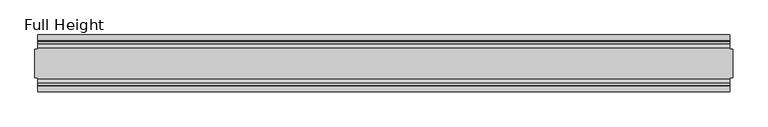
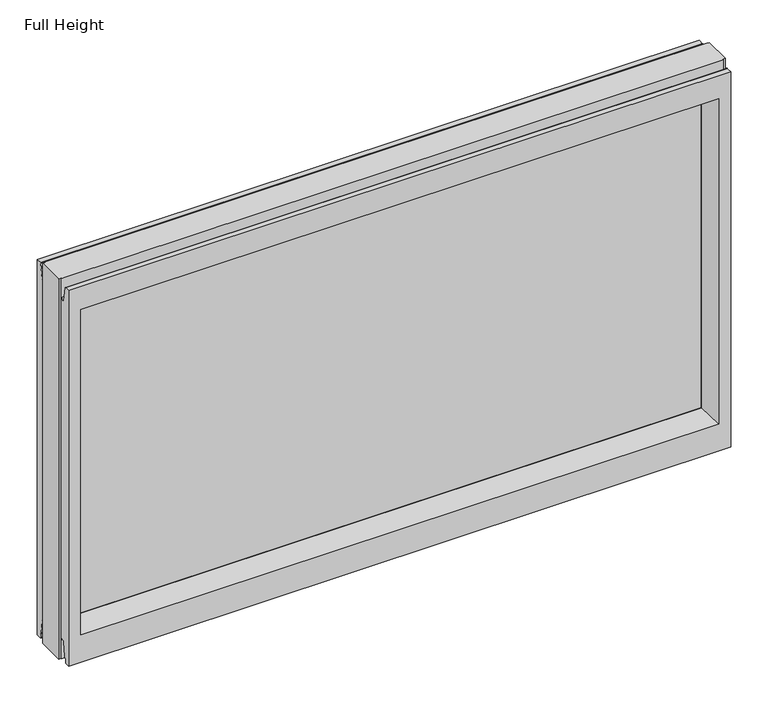
"""IFC4 building model written with IfcOpenShell, lengths in millimetres: plate geometry, Full Height."""

import ifcopenshell
import ifcopenshell.guid

model = None  # the IFC model being written
_history = None  # IfcOwnerHistory: only IFC2X3 demands one
_inside = {}  # id of a spatial element -> (the spatial element, [elements in it])
_under = {}  # id of a project, library or spatial element -> (it, [spatial elements below it])
_declared = {}  # id of a project -> (the project, [libraries it declares])
_typed = {}  # id of a type object -> (the type object, [elements of that type])
_made_of = {}  # id of a material, layer set ... -> (it, [elements and type objects made of it])


def new_model(schema):
    """Start an empty IFC model of exactly this schema.

    Asked for "IFC4X3", IfcOpenShell would pick the latest addendum, in which some entities
    have other attributes; the version numbers below select the first issue.
    IFC2X3 requires an IfcOwnerHistory on every rooted entity: one is made here for all.
    """
    global model, _history
    if schema == "IFC4X3":
        model = ifcopenshell.file(schema_version=(4, 3, 0, 0))
    else:
        model = ifcopenshell.file(schema=schema)
    _inside.clear()
    _under.clear()
    _declared.clear()
    _typed.clear()
    _made_of.clear()
    _history = None
    if model.schema == "IFC2X3":
        org = make("IfcOrganization", Name="unknown")
        user = make(
            "IfcPersonAndOrganization",
            ThePerson=make("IfcPerson", FamilyName="unknown"),
            TheOrganization=org,
        )
        app = make(
            "IfcApplication",
            ApplicationDeveloper=org,
            Version="unknown",
            ApplicationFullName="unknown",
            ApplicationIdentifier="unknown",
        )
        _history = make(
            "IfcOwnerHistory",
            OwningUser=user,
            OwningApplication=app,
            ChangeAction="ADDED",
            CreationDate=0,
        )
    return model


def make(cls, **values):
    """One entity of the class cls with the attributes given. An attribute that is None is left unset."""
    return model.create_entity(
        cls, **{name: value for name, value in values.items() if value is not None}
    )


def rooted(cls, **values):
    """An entity with a GlobalId (a new one), such as an element, a storey or a relation."""
    return make(cls, GlobalId=ifcopenshell.guid.new(), OwnerHistory=_history, **values)


def si_unit(unit_type, name, prefix=None):
    """IfcSIUnit, for example si_unit("LENGTHUNIT", "METRE", prefix="MILLI")."""
    return make("IfcSIUnit", UnitType=unit_type, Prefix=prefix, Name=name)


def assignment(units):
    """IfcUnitAssignment: the units of a project."""
    return None if units is None else make("IfcUnitAssignment", Units=units)


def point(xyz):
    """IfcCartesianPoint."""
    return None if xyz is None else make("IfcCartesianPoint", Coordinates=xyz)


def direction(xyz):
    """IfcDirection."""
    return None if xyz is None else make("IfcDirection", DirectionRatios=xyz)


def frame(location, z_axis=None, x_axis=None):
    """IfcAxis2Placement3D, a coordinate frame: its origin and axes. An axis left out is left unset."""
    return make(
        "IfcAxis2Placement3D",
        Location=point(location),
        Axis=direction(z_axis),
        RefDirection=direction(x_axis),
    )


def origin():
    """The frame at (0, 0, 0) with its axes left unset."""
    return frame((0.0, 0.0, 0.0))


def place(relative_to, where):
    """IfcLocalPlacement: puts the frame where relative to a parent placement (None: the world)."""
    return make(
        "IfcLocalPlacement", PlacementRelTo=relative_to, RelativePlacement=where
    )


def context(
    kind, dimensions, precision=None, world=None, true_north=None, identifier=None
):
    """IfcGeometricRepresentationContext, for example the 3D "Model" context."""
    return make(
        "IfcGeometricRepresentationContext",
        ContextIdentifier=identifier,
        ContextType=kind,
        CoordinateSpaceDimension=dimensions,
        Precision=precision,
        WorldCoordinateSystem=world,
        TrueNorth=true_north,
    )


def project(units=None, contexts=None):
    """IfcProject with its units and contexts."""
    return rooted(
        "IfcProject",
        Name="project",
        RepresentationContexts=contexts,
        UnitsInContext=assignment(units),
    )


def spatial(cls, under=None, at=None, **own):
    """A site, building, storey or space (cls), placed at a placement, below another one or the project."""
    s = rooted(cls, ObjectPlacement=at, **own)
    if under is not None:
        _under.setdefault(under.id(), (under, []))[1].append(s)
    return s


def polyline(points):
    """IfcPolyline through the points."""
    return make("IfcPolyline", Points=[point(p) for p in points])


def circle_curve(where, radius):
    """IfcCircle in the frame where."""
    return make("IfcCircle", Position=where, Radius=radius)


def outline(outer, holes=None, kind="AREA"):
    """IfcArbitraryClosedProfileDef: a profile drawn as a closed curve; with holes, ...WithVoids."""
    if holes is None:
        return make("IfcArbitraryClosedProfileDef", ProfileType=kind, OuterCurve=outer)
    return make(
        "IfcArbitraryProfileDefWithVoids",
        ProfileType=kind,
        OuterCurve=outer,
        InnerCurves=holes,
    )


def extrude(swept, where, along, depth):
    """IfcExtrudedAreaSolid: the profile swept, set in the frame where, extruded along a direction by depth."""
    return make(
        "IfcExtrudedAreaSolid",
        SweptArea=swept,
        Position=where,
        ExtrudedDirection=direction(along),
        Depth=depth,
    )


def shape(context_of_items, identifier, shape_type, items):
    """IfcShapeRepresentation: the items that make up one representation, for example the "Body"."""
    return make(
        "IfcShapeRepresentation",
        ContextOfItems=context_of_items,
        RepresentationIdentifier=identifier,
        RepresentationType=shape_type,
        Items=items,
    )


def source(mapping_origin, context_of_items, identifier, shape_type, items):
    """IfcRepresentationMap: a shape defined once, which mapped items show again and again."""
    return make(
        "IfcRepresentationMap",
        MappingOrigin=mapping_origin,
        MappedRepresentation=shape(context_of_items, identifier, shape_type, items),
    )


def transform(
    local_origin,
    x_axis=None,
    y_axis=None,
    z_axis=None,
    scale=None,
    scale2=None,
    scale3=None,
    uniform=True,
):
    """IfcCartesianTransformationOperator3D, or its non-uniform kind. x_axis, y_axis, z_axis: its Axis1, 2, 3."""
    if uniform:
        return make(
            "IfcCartesianTransformationOperator3D",
            Axis1=direction(x_axis),
            Axis2=direction(y_axis),
            LocalOrigin=point(local_origin),
            Scale=scale,
            Axis3=direction(z_axis),
        )
    return make(
        "IfcCartesianTransformationOperator3DnonUniform",
        Axis1=direction(x_axis),
        Axis2=direction(y_axis),
        LocalOrigin=point(local_origin),
        Scale=scale,
        Axis3=direction(z_axis),
        Scale2=scale2,
        Scale3=scale3,
    )


def mapped(mapping_source, mapping_target):
    """IfcMappedItem: shows the shape of a source again, moved by a transform."""
    return make(
        "IfcMappedItem", MappingSource=mapping_source, MappingTarget=mapping_target
    )


def made_of(thing, what):
    """Note that an element or type object is made of a material, layer set ...; save() writes the relation."""
    if what is not None:
        _made_of.setdefault(what.id(), (what, []))[1].append(thing)
    return thing


def element(
    cls,
    number,
    at=None,
    inside=None,
    cuts=None,
    type_object=None,
    material=None,
    context=None,
    identifier="Body",
    shape_type=None,
    held_by="IfcProductDefinitionShape",
    body=None,
    shapes=None,
    **own,
):
    """One element of the class cls, such as IfcWall. Its Tag is "e" and its number.

    at: its placement. inside: the storey or other place that contains it. cuts: it is an
    opening in that element (IfcRelVoidsElement). A single representation is given by context,
    identifier, shape_type and body (its items); several are given by shapes. held_by: the class
    of the entity that holds the representations. save() writes the other relations.
    """
    e = rooted(cls, Tag="e%d" % number, ObjectPlacement=at, **own)
    if body is not None:
        shapes = [shape(context, identifier, shape_type, body)]
    if shapes is not None:
        e.Representation = make(held_by, Representations=shapes)
    if inside is not None:
        _inside.setdefault(inside.id(), (inside, []))[1].append(e)
    if cuts is not None:
        rooted(
            "IfcRelVoidsElement", RelatingBuildingElement=cuts, RelatedOpeningElement=e
        )
    if type_object is not None:
        _typed.setdefault(type_object.id(), (type_object, []))[1].append(e)
    return made_of(e, material)


def aggregate(whole, parts):
    """IfcRelAggregates: a whole, such as a stair, and the parts it consists of."""
    return rooted("IfcRelAggregates", RelatingObject=whole, RelatedObjects=parts)


def save(model, path):
    """Write the relations noted so far, then the file.

    IfcRelAggregates (storeys below a building ...), IfcRelContainedInSpatialStructure (elements
    in a storey), IfcRelDefinesByType, IfcRelAssociatesMaterial and IfcRelDeclares: one each for
    every whole, place, type object, material and project.
    """
    for whole, parts in _under.values():
        aggregate(whole, parts)
    for where, things in _inside.values():
        rooted(
            "IfcRelContainedInSpatialStructure",
            RelatedElements=things,
            RelatingStructure=where,
        )
    for kind, things in _typed.values():
        rooted("IfcRelDefinesByType", RelatedObjects=things, RelatingType=kind)
    for what, things in _made_of.values():
        rooted("IfcRelAssociatesMaterial", RelatedObjects=things, RelatingMaterial=what)
    for by, libraries in _declared.values():
        rooted("IfcRelDeclares", RelatingContext=by, RelatedDefinitions=libraries)
    model.write(path)


def plane_surface(at):
    """IfcPlane: the flat surface through the origin of the frame at, square to its z axis."""
    return make("IfcPlane", Position=at)


def cylinder_surface(at, radius):
    """IfcCylindricalSurface: all points at the distance radius from the z axis of the frame at."""
    return make("IfcCylindricalSurface", Position=at, Radius=radius)


def revolved_surface(curve, axis_point, axis_direction):
    """IfcSurfaceOfRevolution: the curve turned about the line through axis_point along axis_direction."""
    return make(
        "IfcSurfaceOfRevolution",
        SweptCurve=make("IfcArbitraryOpenProfileDef", ProfileType="CURVE", Curve=curve),
        AxisPosition=make("IfcAxis1Placement", Location=point(axis_point), Axis=direction(axis_direction)),
    )


def advanced_brep(points, edges, surfaces, faces):
    """IfcAdvancedBrep: a solid bounded by faces that lie on surfaces and meet in shared edges.

    An edge is (start, end): straight between two places in points (the first is 0);
    or (start, end, curve); or (start, end, curve, False) where it runs against its curve.
    A face is (place in surfaces, loops), or (place, loops, False) where it looks against
    its surface's normal. A loop lists edges by number (the first is 1), with a minus sign
    where the edge is run from its end to its start. The first loop is the outer one.
    """
    corners = [point(p) for p in points]
    vertices = [make("IfcVertexPoint", VertexGeometry=c) for c in corners]
    made = []
    for start, end, *more in edges:
        made.append(
            make(
                "IfcEdgeCurve",
                EdgeStart=vertices[start],
                EdgeEnd=vertices[end],
                EdgeGeometry=more[0] if more else make("IfcPolyline", Points=[corners[start], corners[end]]),
                SameSense=more[1] if len(more) > 1 else True,
            )
        )
    hull = []
    for where, loops, *sense in faces:
        bounds = []
        for j, loop in enumerate(loops):
            ring = [make("IfcOrientedEdge", EdgeElement=made[abs(k) - 1], Orientation=k > 0) for k in loop]
            bounds.append(
                make(
                    "IfcFaceOuterBound" if j == 0 else "IfcFaceBound",
                    Bound=make("IfcEdgeLoop", EdgeList=ring),
                    Orientation=True,
                )
            )
        hull.append(make("IfcAdvancedFace", Bounds=bounds, FaceSurface=surfaces[where], SameSense=sense[0] if sense else True))
    return make("IfcAdvancedBrep", Outer=make("IfcClosedShell", CfsFaces=hull))


def full_height_e3f9f76d(model_context):
    return source(origin(), model_context, "Body", "SolidModel", [
        advanced_brep(
        [(612.7083377, 25.146, 739.14), (608.1363377, 25.146, 739.14), (608.1363377, 26.67, 739.14), (-608.1363377, 26.67, 739.14), (-608.1363377, 25.146, 739.14), (-612.7083377, 25.146, 739.14), (-612.7083377, -25.146, 739.14), (-608.1363377, -25.146, 739.14), (-608.1363377, -26.67, 739.14), (608.1363377, -26.67, 739.14), (608.1363377, -25.146, 739.14), (612.7083377, -25.146, 739.14), (612.7083377, 25.146, 0.0), (612.7083377, -25.146, 0.0), (608.1363377, -25.146, 0.0), (608.1363377, -26.67, 0.0), (-608.1363377, -26.67, 0.0), (-608.1363377, -25.146, 0.0), (-612.7083377, -25.146, 0.0), (-612.7083377, 25.146, 0.0), (-608.1363377, 25.146, 0.0), (-608.1363377, 26.67, 0.0), (608.1363377, 26.67, 0.0), (608.1363377, 25.146, 0.0), (-608.1363377, 40.7946686, 0.0), (-608.1363377, 50.0, 0.0), (608.1363377, 50.0, 0.0), (608.1363377, 40.7946686, 0.0), (-608.1363377, 26.67, 36.4542208), (608.1363377, 26.67, 36.4542208), (-608.1363377, -26.67, 36.4542208), (-608.1363377, -34.2686707, 36.8568054), (-608.1363377, -36.9464913, 11.6561909), (-608.1363377, -39.043018, 8.6755976), (-608.1363377, -39.5246686, 7.9074686), (-608.1363377, -39.5246686, 1.27), (-608.1363377, -40.7946686, 0.0), (-608.1363377, -50.0, 0.0), (-608.1363377, -50.0, 729.996), (-608.1363377, -39.9371387, 729.996), (-608.1363377, -39.1867152, 729.3663199), (-608.1363377, -34.2321175, 701.2674004), (-608.1363377, -26.67, 701.929), (-608.1363377, 39.5246686, 1.27), (-608.1363377, 39.5246686, 7.9074686), (-608.1363377, 39.043018, 8.6755976), (-608.1363377, 36.9464913, 11.6561909), (-608.1363377, 34.2686707, 36.8568054), (-608.1363377, 26.67, 701.929), (-608.1363377, 34.2321175, 701.2674004), (-608.1363377, 39.1867152, 729.3663199), (-608.1363377, 39.9371387, 729.996), (-608.1363377, 50.0, 729.996), (608.1363377, -50.0, 0.0), (608.1363377, -50.0, 729.996), (-586.0383377, -50.0, 685.419), (586.0383377, -50.0, 685.419), (586.0383377, -50.0, 52.8372208), (-586.0383377, -50.0, 52.8372208), (608.1363377, 50.0, 729.996), (-586.0383377, 50.0, 52.8372208), (586.0383377, 50.0, 52.8372208), (586.0383377, 50.0, 685.419), (-586.0383377, 50.0, 685.419), (-580.0693377, -6.1006519, 58.8062208), (-580.0693377, -6.1006519, 679.45), (-580.0693377, 6.1006519, 679.45), (-580.0693377, 6.1006519, 58.8062208), (580.0693377, 6.1006519, 58.8062208), (580.0693377, 6.1006519, 679.45), (580.0693377, -6.1006519, 679.45), (580.0693377, -6.1006519, 58.8062208), (608.1363377, -40.7946686, 0.0), (608.1363377, -39.5246686, 1.27), (608.1363377, -39.5246686, 7.9074686), (608.1363377, -39.043018, 8.6755976), (608.1363377, -36.9464913, 11.6561909), (608.1363377, -34.2686707, 36.8568054), (608.1363377, -26.67, 36.4542208), (608.1363377, -26.67, 701.929), (608.1363377, -34.2321175, 701.2674004), (608.1363377, -39.1867152, 729.3663199), (608.1363377, -39.9371387, 729.996), (608.1363377, 39.9371387, 729.996), (608.1363377, 39.1867152, 729.3663199), (608.1363377, 34.2321175, 701.2674004), (608.1363377, 26.67, 701.929), (608.1363377, 34.2686707, 36.8568054), (608.1363377, 36.9464913, 11.6561909), (608.1363377, 39.043018, 8.6755976), (608.1363377, 39.5246686, 7.9074686), (608.1363377, 39.5246686, 1.27)],
        [
            (0, 1),
            (1, 2),
            (2, 3),
            (3, 4),
            (4, 5),
            (5, 6),
            (6, 7),
            (7, 8),
            (8, 9),
            (9, 10),
            (10, 11),
            (11, 0),
            (12, 13),
            (13, 14),
            (14, 15),
            (15, 16),
            (16, 17),
            (17, 18),
            (18, 19),
            (19, 20),
            (20, 21),
            (21, 22),
            (22, 23),
            (23, 12),
            (23, 1),
            (0, 12),
            (10, 14),
            (13, 11),
            (5, 19),
            (18, 6),
            (17, 7),
            (4, 20),
            (24, 25),
            (25, 26),
            (26, 27),
            (27, 24),
            (21, 28),
            (28, 29),
            (29, 22),
            (16, 30),
            (30, 31, circle_curve(frame((-608.1363377, -30.48, 36.4542208), z_axis=(1.0, 0.0, 0.0), x_axis=(0.0, -1.0, 0.0)), 3.81)),
            (31, 32),
            (32, 33, circle_curve(frame((-608.1363377, -40.6770502, 12.0526006), z_axis=(-1.0, 0.0, 0.0), x_axis=(0.0, -1.0, 0.0)), 3.751561)),
            (33, 34, circle_curve(frame((-608.1363377, -38.671343, 7.9074686), z_axis=(1.0, 0.0, 0.0), x_axis=(0.0, -1.0, 0.0)), 0.8533256)),
            (34, 35),
            (35, 36, circle_curve(frame((-608.1363377, -40.7946686, 1.27), z_axis=(-1.0, 0.0, 0.0), x_axis=(0.0, -1.0, 0.0)), 1.27)),
            (36, 37),
            (37, 38),
            (38, 39),
            (39, 40, circle_curve(frame((-608.1363377, -39.9371387, 729.234), z_axis=(-1.0, 0.0, 0.0), x_axis=(0.0, -1.0, 0.0)), 0.762)),
            (40, 41),
            (41, 42, circle_curve(frame((-608.1363377, -30.48, 701.929), z_axis=(1.0, 0.0, 0.0), x_axis=(0.0, -1.0, 0.0)), 3.81)),
            (42, 8),
            (24, 43, circle_curve(frame((-608.1363377, 40.7946686, 1.27), z_axis=(-1.0, 0.0, 0.0), x_axis=(0.0, -1.0, 0.0)), 1.27)),
            (43, 44),
            (44, 45, circle_curve(frame((-608.1363377, 38.671343, 7.9074686), z_axis=(1.0, 0.0, 0.0), x_axis=(0.0, -1.0, 0.0)), 0.8533256)),
            (45, 46, circle_curve(frame((-608.1363377, 40.6770502, 12.0526006), z_axis=(-1.0, 0.0, 0.0), x_axis=(0.0, -1.0, 0.0)), 3.751561)),
            (46, 47),
            (47, 28, circle_curve(frame((-608.1363377, 30.48, 36.4542208), z_axis=(1.0, 0.0, 0.0), x_axis=(0.0, -1.0, 0.0)), 3.81)),
            (3, 48),
            (48, 49, circle_curve(frame((-608.1363377, 30.48, 701.929), z_axis=(1.0, 0.0, 0.0), x_axis=(0.0, -1.0, 0.0)), 3.81)),
            (49, 50),
            (50, 51, circle_curve(frame((-608.1363377, 39.9371387, 729.234), z_axis=(-1.0, 0.0, 0.0), x_axis=(0.0, -1.0, 0.0)), 0.762)),
            (51, 52),
            (52, 25),
            (37, 53),
            (53, 54),
            (54, 38),
            (55, 56),
            (56, 57),
            (57, 58),
            (58, 55),
            (52, 59),
            (59, 26),
            (60, 61),
            (61, 62),
            (62, 63),
            (63, 60),
            (58, 64),
            (64, 65),
            (65, 55),
            (63, 66),
            (66, 67),
            (67, 60),
            (61, 68),
            (68, 69),
            (69, 62),
            (70, 71),
            (71, 57),
            (56, 70),
            (53, 72),
            (72, 73, circle_curve(frame((608.1363377, -40.7946686, 1.27), z_axis=(1.0, 0.0, 0.0), x_axis=(0.0, -1.0, 0.0)), 1.27)),
            (73, 74),
            (74, 75, circle_curve(frame((608.1363377, -38.671343, 7.9074686), z_axis=(-1.0, 0.0, 0.0), x_axis=(0.0, -1.0, 0.0)), 0.8533256)),
            (75, 76, circle_curve(frame((608.1363377, -40.6770502, 12.0526006), z_axis=(1.0, 0.0, 0.0), x_axis=(0.0, -1.0, 0.0)), 3.751561)),
            (76, 77),
            (77, 78, circle_curve(frame((608.1363377, -30.48, 36.4542208), z_axis=(-1.0, 0.0, 0.0), x_axis=(0.0, -1.0, 0.0)), 3.81)),
            (78, 15),
            (9, 79),
            (79, 80, circle_curve(frame((608.1363377, -30.48, 701.929), z_axis=(-1.0, 0.0, 0.0), x_axis=(0.0, -1.0, 0.0)), 3.81)),
            (80, 81),
            (81, 82, circle_curve(frame((608.1363377, -39.9371387, 729.234), z_axis=(1.0, 0.0, 0.0), x_axis=(0.0, -1.0, 0.0)), 0.762)),
            (82, 54),
            (59, 83),
            (83, 84, circle_curve(frame((608.1363377, 39.9371387, 729.234), z_axis=(1.0, 0.0, 0.0), x_axis=(0.0, -1.0, 0.0)), 0.762)),
            (84, 85),
            (85, 86, circle_curve(frame((608.1363377, 30.48, 701.929), z_axis=(-1.0, 0.0, 0.0), x_axis=(0.0, -1.0, 0.0)), 3.81)),
            (86, 2),
            (29, 87, circle_curve(frame((608.1363377, 30.48, 36.4542208), z_axis=(-1.0, 0.0, 0.0), x_axis=(0.0, -1.0, 0.0)), 3.81)),
            (87, 88),
            (88, 89, circle_curve(frame((608.1363377, 40.6770502, 12.0526006), z_axis=(1.0, 0.0, 0.0), x_axis=(0.0, -1.0, 0.0)), 3.751561)),
            (89, 90, circle_curve(frame((608.1363377, 38.671343, 7.9074686), z_axis=(-1.0, 0.0, 0.0), x_axis=(0.0, -1.0, 0.0)), 0.8533256)),
            (90, 91),
            (91, 27, circle_curve(frame((608.1363377, 40.7946686, 1.27), z_axis=(1.0, 0.0, 0.0), x_axis=(0.0, -1.0, 0.0)), 1.27)),
            (91, 43),
            (90, 44),
            (89, 45),
            (88, 46),
            (87, 47),
            (78, 30),
            (31, 77),
            (76, 32),
            (75, 33),
            (74, 34),
            (73, 35),
            (72, 36),
            (71, 64),
            (67, 68),
            (86, 48),
            (85, 49),
            (84, 50),
            (83, 51),
            (69, 66),
            (65, 70),
            (82, 39),
            (81, 40),
            (80, 41),
            (79, 42),
            (65, 66),
            (69, 70),
            (71, 68),
            (67, 64),
        ],
        [
            plane_surface(frame((608.1363377, 25.146, 739.14), z_axis=(0.0, 0.0, 1.0), x_axis=(-1.0, 0.0, 0.0))),
            plane_surface(frame((608.1363377, 25.146, 0.0), z_axis=(0.0, 0.0, -1.0), x_axis=(1.0, 0.0, 0.0))),
            plane_surface(frame((612.7083377, 25.146, 739.14), z_axis=(0.0, 1.0, 0.0), x_axis=(0.0, 0.0, -1.0))),
            plane_surface(frame((608.1363377, -25.146, 739.14), z_axis=(0.0, -1.0, 0.0), x_axis=(0.0, 0.0, -1.0))),
            plane_surface(frame((612.7083377, -25.146, 739.14), z_axis=(1.0, 0.0, 0.0), x_axis=(0.0, 0.0, -1.0))),
            plane_surface(frame((-612.7083377, 25.146, 739.14), z_axis=(-1.0, 0.0, 0.0), x_axis=(0.0, 0.0, -1.0))),
            plane_surface(frame((-612.7083377, -25.146, 739.14), z_axis=(0.0, -1.0, 0.0), x_axis=(0.0, 0.0, -1.0))),
            plane_surface(frame((-608.1363377, 25.146, 739.14), z_axis=(0.0, 1.0, 0.0), x_axis=(0.0, 0.0, -1.0))),
            plane_surface(frame((-608.1363377, 50.0, 0.0), z_axis=(0.0, 0.0, -1.0), x_axis=(1.0, 0.0, 0.0))),
            plane_surface(frame((-608.1363377, 26.67, 36.4542208), z_axis=(0.0, 1.0, 0.0), x_axis=(1.0, 0.0, 0.0))),
            plane_surface(frame((-608.1363377, 50.0, 697.2046), z_axis=(-1.0, 0.0, 0.0), x_axis=(0.0, 0.0, -1.0))),
            plane_surface(frame((-608.1363377, -50.0, 697.2046), z_axis=(0.0, -1.0, 0.0), x_axis=(0.0, 0.0, -1.0))),
            plane_surface(frame((-586.0383377, 50.0, 697.2046), z_axis=(0.0, 1.0, 0.0), x_axis=(0.0, 0.0, -1.0))),
            plane_surface(frame((-586.0383377, -50.0, 697.2046), z_axis=(0.9908822943533606, -0.13473039277393942, 0.0), x_axis=(0.0, 0.0, -1.0))),
            plane_surface(frame((-580.0693377, 6.1006519, 697.2046), z_axis=(0.9908822943533612, 0.13473039277393595, 0.0), x_axis=(0.0, 0.0, -1.0))),
            plane_surface(frame((586.0383377, 50.0, 697.2046), z_axis=(-0.9908822943533605, 0.1347303927739403, 0.0), x_axis=(0.0, 0.0, -1.0))),
            plane_surface(frame((580.0693377, -6.1006519, 697.2046), z_axis=(-0.9908822943533563, -0.13473039277397156, 0.0), x_axis=(0.0, 0.0, -1.0))),
            plane_surface(frame((608.1363377, -50.0, 697.2046), z_axis=(1.0, 0.0, 0.0), x_axis=(0.0, 0.0, -1.0))),
            cylinder_surface(frame((608.1363377, 40.7946686, 1.27), z_axis=(-1.0, 0.0, 0.0), x_axis=(0.0, -1.0, 0.0)), 1.27),
            plane_surface(frame((-608.1363377, 39.5246686, 1.27), z_axis=(0.0, -1.0, 0.0), x_axis=(1.0, 0.0, 0.0))),
            revolved_surface(polyline([(608.1363377, 37.8180174, 7.9074686), (-608.1363377, 37.8180174, 7.9074686)]), (608.1363377, 38.671343, 7.9074686), (1.0, 0.0, 0.0)),
            cylinder_surface(frame((608.1363377, 40.6770502, 12.0526006), z_axis=(-1.0, 0.0, 0.0), x_axis=(0.0, -1.0, 0.0)), 3.751561),
            plane_surface(frame((-608.1363377, 36.9464913, 11.6561909), z_axis=(0.0, -0.9944017560866673, -0.10566526151840273), x_axis=(1.0, 0.0, 0.0))),
            plane_surface(frame((-608.1363377, -26.67, 0.0), z_axis=(0.0, -1.0, 0.0), x_axis=(1.0, 0.0, 0.0))),
            plane_surface(frame((-608.1363377, -34.2686707, 36.8568054), z_axis=(0.0, 0.9944017560866222, -0.10566526151882638), x_axis=(1.0, 0.0, 0.0))),
            cylinder_surface(frame((608.1363377, -40.6770502, 12.0526006), z_axis=(-1.0, 0.0, 0.0), x_axis=(0.0, -1.0, 0.0)), 3.751561),
            revolved_surface(polyline([(608.1363377, -39.5246686, 7.9074686), (-608.1363377, -39.5246686, 7.9074686)]), (608.1363377, -38.671343, 7.9074686), (1.0, 0.0, 0.0)),
            plane_surface(frame((-608.1363377, -39.5246686, 7.9074686), z_axis=(0.0, 1.0, 0.0), x_axis=(1.0, 0.0, 0.0))),
            cylinder_surface(frame((608.1363377, -40.7946686, 1.27), z_axis=(-1.0, 0.0, 0.0), x_axis=(0.0, -1.0, 0.0)), 1.27),
            plane_surface(frame((-608.1363377, -40.7946686, 0.0), z_axis=(0.0, 0.0, -1.0), x_axis=(1.0, 0.0, 0.0))),
            plane_surface(frame((-608.1363377, -50.0, 52.8372208), z_axis=(0.0, -0.13473039277394738, 0.9908822943533596), x_axis=(1.0, 0.0, 0.0))),
            plane_surface(frame((-608.1363377, 6.1006519, 58.8062208), z_axis=(0.0, 0.13473039277399934, 0.9908822943533526), x_axis=(1.0, 0.0, 0.0))),
            revolved_surface(polyline([(608.1363377, 26.67, 36.4542208), (-608.1363377, 26.67, 36.4542208)]), (608.1363377, 30.48, 36.4542208), (1.0, 0.0, 0.0)),
            revolved_surface(polyline([(608.1363377, -34.29, 36.4542208), (-608.1363377, -34.29, 36.4542208)]), (608.1363377, -30.48, 36.4542208), (1.0, 0.0, 0.0)),
            plane_surface(frame((-608.1363377, 26.67, 739.14), z_axis=(0.0, 1.0, 0.0), x_axis=(1.0, 0.0, 0.0))),
            revolved_surface(polyline([(608.1363377000001, 26.67, 701.929), (-608.1363377, 26.67, 701.929)]), (-612.7083377, 30.48, 701.929), (1.0, 0.0, 0.0)),
            plane_surface(frame((-608.1363377, 34.2321175, 701.2674004), z_axis=(0.0, -0.9848077530113104, 0.17364817767202162), x_axis=(1.0, 0.0, 0.0))),
            cylinder_surface(frame((-612.7083377, 39.9371387, 729.234), z_axis=(-1.0, 0.0, 0.0), x_axis=(0.0, -1.0, 0.0)), 0.762),
            plane_surface(frame((-608.1363377, 39.9371387, 729.996), z_axis=(0.0, 0.0, 1.0), x_axis=(1.0, 0.0, 0.0))),
            plane_surface(frame((-608.1363377, 50.0, 685.419), z_axis=(0.0, 0.1347303927734858, -0.9908822943534225), x_axis=(1.0, 0.0, 0.0))),
            plane_surface(frame((-608.1363377, -6.1006519, 679.45), z_axis=(0.0, -0.13473039277251259, -0.9908822943535547), x_axis=(1.0, 0.0, 0.0))),
            plane_surface(frame((-608.1363377, -50.0, 729.996), z_axis=(0.0, 0.0, 1.0), x_axis=(1.0, 0.0, 0.0))),
            cylinder_surface(frame((-612.7083377, -39.9371387, 729.234), z_axis=(-1.0, 0.0, 0.0), x_axis=(0.0, -1.0, 0.0)), 0.762),
            plane_surface(frame((-608.1363377, -39.1867152, 729.3663199), z_axis=(0.0, 0.9848077530103843, 0.17364817767727386), x_axis=(1.0, 0.0, 0.0))),
            revolved_surface(polyline([(608.1363377000001, -34.29, 701.929), (-608.1363377, -34.29, 701.929)]), (-612.7083377, -30.48, 701.929), (1.0, 0.0, 0.0)),
            plane_surface(frame((-608.1363377, -26.67, 701.929), z_axis=(0.0, -1.0, 0.0), x_axis=(1.0, 0.0, 0.0))),
            plane_surface(frame((-608.1363377, 6.1006519, 679.45), z_axis=(0.0, 0.0, -1.0), x_axis=(1.0, 0.0, 0.0))),
            plane_surface(frame((-608.1363377, -6.1006519, 58.8062208), z_axis=(0.0, 0.0, 1.0), x_axis=(1.0, 0.0, 0.0))),
            plane_surface(frame((-580.0693377, -6.1006519, 697.2046), z_axis=(1.0, 0.0, 0.0), x_axis=(0.0, 0.0, -1.0))),
            plane_surface(frame((580.0693377, 6.1006519, 697.2046), z_axis=(-1.0, 0.0, 0.0), x_axis=(0.0, 0.0, -1.0))),
        ],
        [
            (0, [[1, 2, 3, 4, 5, 6, 7, 8, 9, 10, 11, 12]]),
            (1, [[13, 14, 15, 16, 17, 18, 19, 20, 21, 22, 23, 24]]),
            (2, [[25, -1, 26, -24]]),
            (3, [[-11, 27, -14, 28]]),
            (4, [[-12, -28, -13, -26]]),
            (5, [[-6, 29, -19, 30]]),
            (6, [[31, -7, -30, -18]]),
            (7, [[-5, 32, -20, -29]]),
            (8, [[33, 34, 35, 36]]),
            (9, [[37, 38, 39, -22]]),
            (10, [[-17, 40, 41, 42, 43, 44, 45, 46, 47, 48, 49, 50, 51, 52, 53, -8, -31]]),
            (10, [[-33, 54, 55, 56, 57, 58, 59, -37, -21, -32, -4, 60, 61, 62, 63, 64, 65]]),
            (11, [[-48, 66, 67, 68], [69, 70, 71, 72]]),
            (12, [[-65, 73, 74, -34], [75, 76, 77, 78]]),
            (13, [[-72, 79, 80, 81]]),
            (14, [[-78, 82, 83, 84]]),
            (15, [[-76, 85, 86, 87]]),
            (16, [[88, 89, -70, 90]]),
            (17, [[-67, 91, 92, 93, 94, 95, 96, 97, 98, -15, -27, -10, 99, 100, 101, 102, 103]]),
            (17, [[-74, 104, 105, 106, 107, 108, -2, -25, -23, -39, 109, 110, 111, 112, 113, 114, -35]]),
            (18, [[-54, -36, -114, 115]]),
            (19, [[-55, -115, -113, 116]]),
            (20, [[-56, -116, -112, 117]]),
            (21, [[-57, -117, -111, 118]]),
            (22, [[-58, -118, -110, 119]]),
            (23, [[-40, -16, -98, 120]]),
            (24, [[-42, 121, -96, 122]]),
            (25, [[-43, -122, -95, 123]]),
            (26, [[-44, -123, -94, 124]]),
            (27, [[-45, -124, -93, 125]]),
            (28, [[-46, -125, -92, 126]]),
            (29, [[-47, -126, -91, -66]]),
            (30, [[-71, -89, 127, -79]]),
            (31, [[-75, -84, 128, -85]]),
            (32, [[-59, -119, -109, -38]]),
            (33, [[-41, -120, -97, -121]]),
            (34, [[-60, -3, -108, 129]]),
            (35, [[-61, -129, -107, 130]]),
            (36, [[-62, -130, -106, 131]]),
            (37, [[-63, -131, -105, 132]]),
            (38, [[-64, -132, -104, -73]]),
            (39, [[-77, -87, 133, -82]]),
            (40, [[-69, -81, 134, -90]]),
            (41, [[-49, -68, -103, 135]]),
            (42, [[-50, -135, -102, 136]]),
            (43, [[-51, -136, -101, 137]]),
            (44, [[-52, -137, -100, 138]]),
            (45, [[-53, -138, -99, -9]]),
            (46, [[-134, 139, -133, 140]]),
            (47, [[-127, 141, -128, 142]]),
            (48, [[-83, -139, -80, -142]]),
            (49, [[-88, -140, -86, -141]]),
        ],
    ),
        extrude(outline(polyline([(-580.0693377, 4.826), (580.0693377, 4.826), (580.0693377, -4.826), (-580.0693377, -4.826), (-580.0693377, 4.826)])), frame((0.0, 0.0, 58.8062208), z_axis=(0.0, 0.0, 1.0), x_axis=(1.0, 0.0, 0.0)), (0.0, 0.0, 1.0), 620.6437792),
    ])


if __name__ == "__main__":
    model = new_model("IFC4")
    model_context = context("Model", 3, world=origin())
    ifc_project = project(units=[si_unit("LENGTHUNIT", "METRE", prefix="MILLI")], contexts=[model_context])
    site = spatial("IfcSite", under=ifc_project)
    building = spatial("IfcBuilding", under=site)
    placement = place(None, origin())
    full_height_shape = full_height_e3f9f76d(model_context)
    element("IfcPlate", 1, ObjectType="Full Height", at=placement, inside=building, context=model_context, shape_type="MappedRepresentation", body=[
        mapped(full_height_shape, transform((0.0, 0.0, 0.0), x_axis=(1.0, 0.0, 0.0), y_axis=(0.0, 1.0, 0.0), z_axis=(0.0, 0.0, 1.0))),
    ])
    save(model, "model.ifc")
